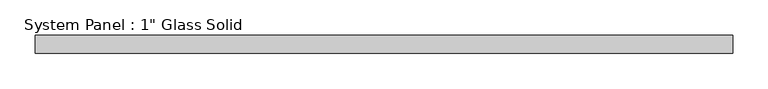
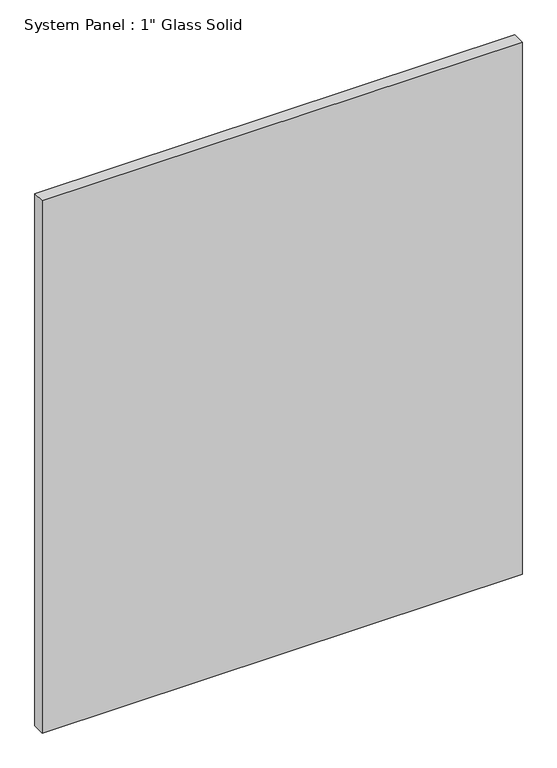
"""IFC4 building model written with IfcOpenShell, lengths in millimetres: plate geometry."""

import ifcopenshell
import ifcopenshell.guid

model = None  # the IFC model being written
_history = None  # IfcOwnerHistory: only IFC2X3 demands one
_inside = {}  # id of a spatial element -> (the spatial element, [elements in it])
_under = {}  # id of a project, library or spatial element -> (it, [spatial elements below it])
_declared = {}  # id of a project -> (the project, [libraries it declares])
_typed = {}  # id of a type object -> (the type object, [elements of that type])
_made_of = {}  # id of a material, layer set ... -> (it, [elements and type objects made of it])


def new_model(schema):
    """Start an empty IFC model of exactly this schema.

    Asked for "IFC4X3", IfcOpenShell would pick the latest addendum, in which some entities
    have other attributes; the version numbers below select the first issue.
    IFC2X3 requires an IfcOwnerHistory on every rooted entity: one is made here for all.
    """
    global model, _history
    if schema == "IFC4X3":
        model = ifcopenshell.file(schema_version=(4, 3, 0, 0))
    else:
        model = ifcopenshell.file(schema=schema)
    _inside.clear()
    _under.clear()
    _declared.clear()
    _typed.clear()
    _made_of.clear()
    _history = None
    if model.schema == "IFC2X3":
        org = make("IfcOrganization", Name="unknown")
        user = make(
            "IfcPersonAndOrganization",
            ThePerson=make("IfcPerson", FamilyName="unknown"),
            TheOrganization=org,
        )
        app = make(
            "IfcApplication",
            ApplicationDeveloper=org,
            Version="unknown",
            ApplicationFullName="unknown",
            ApplicationIdentifier="unknown",
        )
        _history = make(
            "IfcOwnerHistory",
            OwningUser=user,
            OwningApplication=app,
            ChangeAction="ADDED",
            CreationDate=0,
        )
    return model


def make(cls, **values):
    """One entity of the class cls with the attributes given. An attribute that is None is left unset."""
    return model.create_entity(
        cls, **{name: value for name, value in values.items() if value is not None}
    )


def rooted(cls, **values):
    """An entity with a GlobalId (a new one), such as an element, a storey or a relation."""
    return make(cls, GlobalId=ifcopenshell.guid.new(), OwnerHistory=_history, **values)


def si_unit(unit_type, name, prefix=None):
    """IfcSIUnit, for example si_unit("LENGTHUNIT", "METRE", prefix="MILLI")."""
    return make("IfcSIUnit", UnitType=unit_type, Prefix=prefix, Name=name)


def assignment(units):
    """IfcUnitAssignment: the units of a project."""
    return None if units is None else make("IfcUnitAssignment", Units=units)


def point(xyz):
    """IfcCartesianPoint."""
    return None if xyz is None else make("IfcCartesianPoint", Coordinates=xyz)


def direction(xyz):
    """IfcDirection."""
    return None if xyz is None else make("IfcDirection", DirectionRatios=xyz)


def frame(location, z_axis=None, x_axis=None):
    """IfcAxis2Placement3D, a coordinate frame: its origin and axes. An axis left out is left unset."""
    return make(
        "IfcAxis2Placement3D",
        Location=point(location),
        Axis=direction(z_axis),
        RefDirection=direction(x_axis),
    )


def origin():
    """The frame at (0, 0, 0) with its axes left unset."""
    return frame((0.0, 0.0, 0.0))


def origin_with_axes():
    """The frame at (0, 0, 0) with the z axis (0, 0, 1) and the x axis (1, 0, 0) written out."""
    return frame((0.0, 0.0, 0.0), z_axis=(0.0, 0.0, 1.0), x_axis=(1.0, 0.0, 0.0))


def place(relative_to, where):
    """IfcLocalPlacement: puts the frame where relative to a parent placement (None: the world)."""
    return make(
        "IfcLocalPlacement", PlacementRelTo=relative_to, RelativePlacement=where
    )


def context(
    kind, dimensions, precision=None, world=None, true_north=None, identifier=None
):
    """IfcGeometricRepresentationContext, for example the 3D "Model" context."""
    return make(
        "IfcGeometricRepresentationContext",
        ContextIdentifier=identifier,
        ContextType=kind,
        CoordinateSpaceDimension=dimensions,
        Precision=precision,
        WorldCoordinateSystem=world,
        TrueNorth=true_north,
    )


def project(units=None, contexts=None):
    """IfcProject with its units and contexts."""
    return rooted(
        "IfcProject",
        Name="project",
        RepresentationContexts=contexts,
        UnitsInContext=assignment(units),
    )


def spatial(cls, under=None, at=None, **own):
    """A site, building, storey or space (cls), placed at a placement, below another one or the project."""
    s = rooted(cls, ObjectPlacement=at, **own)
    if under is not None:
        _under.setdefault(under.id(), (under, []))[1].append(s)
    return s


def polyline(points):
    """IfcPolyline through the points."""
    return make("IfcPolyline", Points=[point(p) for p in points])


def outline(outer, holes=None, kind="AREA"):
    """IfcArbitraryClosedProfileDef: a profile drawn as a closed curve; with holes, ...WithVoids."""
    if holes is None:
        return make("IfcArbitraryClosedProfileDef", ProfileType=kind, OuterCurve=outer)
    return make(
        "IfcArbitraryProfileDefWithVoids",
        ProfileType=kind,
        OuterCurve=outer,
        InnerCurves=holes,
    )


def extrude(swept, where, along, depth):
    """IfcExtrudedAreaSolid: the profile swept, set in the frame where, extruded along a direction by depth."""
    return make(
        "IfcExtrudedAreaSolid",
        SweptArea=swept,
        Position=where,
        ExtrudedDirection=direction(along),
        Depth=depth,
    )


def shape(context_of_items, identifier, shape_type, items):
    """IfcShapeRepresentation: the items that make up one representation, for example the "Body"."""
    return make(
        "IfcShapeRepresentation",
        ContextOfItems=context_of_items,
        RepresentationIdentifier=identifier,
        RepresentationType=shape_type,
        Items=items,
    )


def source(mapping_origin, context_of_items, identifier, shape_type, items):
    """IfcRepresentationMap: a shape defined once, which mapped items show again and again."""
    return make(
        "IfcRepresentationMap",
        MappingOrigin=mapping_origin,
        MappedRepresentation=shape(context_of_items, identifier, shape_type, items),
    )


def transform(
    local_origin,
    x_axis=None,
    y_axis=None,
    z_axis=None,
    scale=None,
    scale2=None,
    scale3=None,
    uniform=True,
):
    """IfcCartesianTransformationOperator3D, or its non-uniform kind. x_axis, y_axis, z_axis: its Axis1, 2, 3."""
    if uniform:
        return make(
            "IfcCartesianTransformationOperator3D",
            Axis1=direction(x_axis),
            Axis2=direction(y_axis),
            LocalOrigin=point(local_origin),
            Scale=scale,
            Axis3=direction(z_axis),
        )
    return make(
        "IfcCartesianTransformationOperator3DnonUniform",
        Axis1=direction(x_axis),
        Axis2=direction(y_axis),
        LocalOrigin=point(local_origin),
        Scale=scale,
        Axis3=direction(z_axis),
        Scale2=scale2,
        Scale3=scale3,
    )


def mapped(mapping_source, mapping_target):
    """IfcMappedItem: shows the shape of a source again, moved by a transform."""
    return make(
        "IfcMappedItem", MappingSource=mapping_source, MappingTarget=mapping_target
    )


def made_of(thing, what):
    """Note that an element or type object is made of a material, layer set ...; save() writes the relation."""
    if what is not None:
        _made_of.setdefault(what.id(), (what, []))[1].append(thing)
    return thing


def element(
    cls,
    number,
    at=None,
    inside=None,
    cuts=None,
    type_object=None,
    material=None,
    context=None,
    identifier="Body",
    shape_type=None,
    held_by="IfcProductDefinitionShape",
    body=None,
    shapes=None,
    **own,
):
    """One element of the class cls, such as IfcWall. Its Tag is "e" and its number.

    at: its placement. inside: the storey or other place that contains it. cuts: it is an
    opening in that element (IfcRelVoidsElement). A single representation is given by context,
    identifier, shape_type and body (its items); several are given by shapes. held_by: the class
    of the entity that holds the representations. save() writes the other relations.
    """
    e = rooted(cls, Tag="e%d" % number, ObjectPlacement=at, **own)
    if body is not None:
        shapes = [shape(context, identifier, shape_type, body)]
    if shapes is not None:
        e.Representation = make(held_by, Representations=shapes)
    if inside is not None:
        _inside.setdefault(inside.id(), (inside, []))[1].append(e)
    if cuts is not None:
        rooted(
            "IfcRelVoidsElement", RelatingBuildingElement=cuts, RelatedOpeningElement=e
        )
    if type_object is not None:
        _typed.setdefault(type_object.id(), (type_object, []))[1].append(e)
    return made_of(e, material)


def aggregate(whole, parts):
    """IfcRelAggregates: a whole, such as a stair, and the parts it consists of."""
    return rooted("IfcRelAggregates", RelatingObject=whole, RelatedObjects=parts)


def save(model, path):
    """Write the relations noted so far, then the file.

    IfcRelAggregates (storeys below a building ...), IfcRelContainedInSpatialStructure (elements
    in a storey), IfcRelDefinesByType, IfcRelAssociatesMaterial and IfcRelDeclares: one each for
    every whole, place, type object, material and project.
    """
    for whole, parts in _under.values():
        aggregate(whole, parts)
    for where, things in _inside.values():
        rooted(
            "IfcRelContainedInSpatialStructure",
            RelatedElements=things,
            RelatingStructure=where,
        )
    for kind, things in _typed.values():
        rooted("IfcRelDefinesByType", RelatedObjects=things, RelatingType=kind)
    for what, things in _made_of.values():
        rooted("IfcRelAssociatesMaterial", RelatedObjects=things, RelatingMaterial=what)
    for by, libraries in _declared.values():
        rooted("IfcRelDeclares", RelatingContext=by, RelatedDefinitions=libraries)
    model.write(path)


def plate_92c884da(model_context):
    return source(origin(), model_context, "Body", "SweptSolid", [
        extrude(outline(polyline([(492.1258852, -12.7), (-492.1258852, -12.7), (-492.1258852, 12.7), (492.1258852, 12.7), (492.1258852, -12.7)])), origin_with_axes(), (0.0, 0.0, 1.0), 1153.6861731),
    ])


if __name__ == "__main__":
    model = new_model("IFC4")
    model_context = context("Model", 3, world=origin())
    ifc_project = project(units=[si_unit("LENGTHUNIT", "METRE", prefix="MILLI")], contexts=[model_context])
    site = spatial("IfcSite", under=ifc_project)
    building = spatial("IfcBuilding", under=site)
    placement = place(None, origin())
    plate_shape = plate_92c884da(model_context)
    element("IfcPlate", 1, ObjectType="System Panel : 1\" Glass Solid", at=placement, inside=building, context=model_context, shape_type="MappedRepresentation", body=[
        mapped(plate_shape, transform((0.0, 0.0, 0.0), x_axis=(1.0, 0.0, 0.0), y_axis=(0.0, 1.0, 0.0), z_axis=(0.0, 0.0, 1.0))),
    ])
    save(model, "model.ifc")
